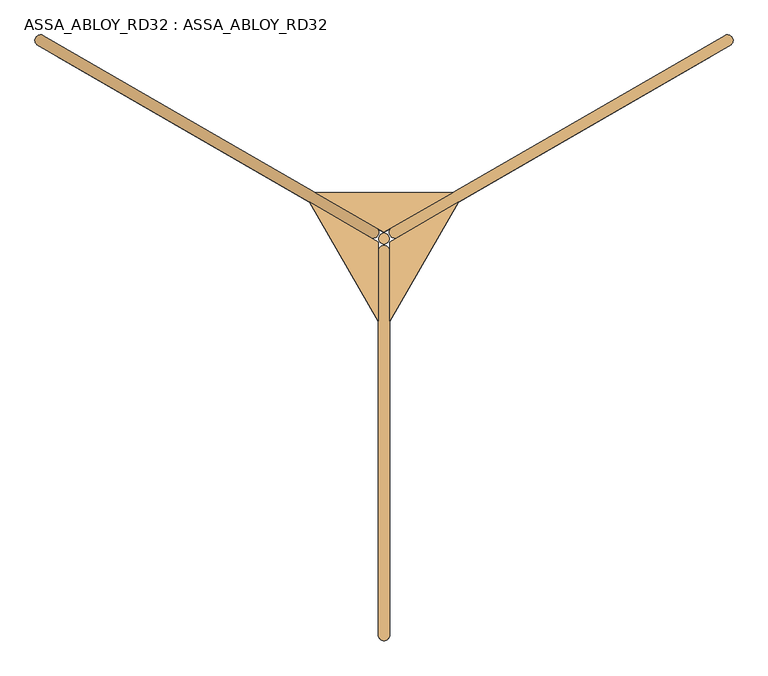
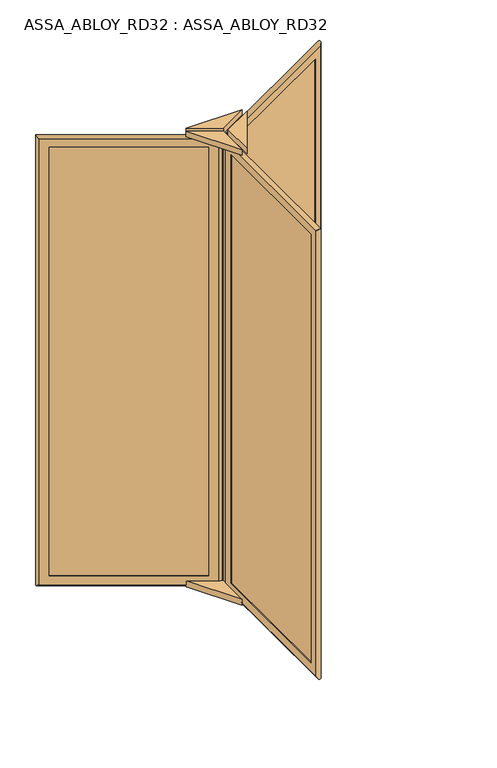
"""IFC4 building model written with IfcOpenShell, lengths in millimetres: door geometry, ASSA_ABLOY_RD32 : ASSA_ABLOY_RD32."""

from ifc_helpers import new_model, si_unit, point, frame, frame_2d, origin, origin_with_axes, place, context, project, spatial, polyline, circle_curve, ellipse_curve, trimmed, segment, composite_curve, outline, extrude, source, transform, mapped, element, save
from ifc_brep_helpers import plane_surface, cylinder_surface, advanced_brep


def assa_abloy_rd32_assa_abloy_rd32_1bab7fdc(model_context):
    return source(origin(), model_context, "Body", "SolidModel", [
        advanced_brep(
        [(881.0172302, 424.939746, 105.0), (882.5172302, 422.3416698, 105.0), (882.5172302, 422.3416698, 2679.0), (881.0172302, 424.939746, 2679.0), (888.3377382, 452.260254, 85.0), (898.3377382, 434.939746, 85.0), (898.3377382, 434.939746, 2699.0), (888.3377382, 452.260254, 2699.0), (869.5172302, 444.8583302, 105.0), (871.0172302, 442.260254, 105.0), (871.0172302, 442.260254, 2679.0), (869.5172302, 444.8583302, 2679.0), (927.5505512, 448.3416698, 53.0), (914.5505512, 470.8583302, 53.0), (914.5505512, 470.8583302, 2731.0), (927.5505512, 448.3416698, 2731.0), (201.6480577, 29.2416698, 2679.0), (200.1480577, 31.839746, 2679.0), (182.8275496, 21.839746, 2699.0), (172.8275496, 39.160254, 2699.0), (190.1480577, 49.160254, 2679.0), (188.6480577, 51.7583302, 2679.0), (143.6147367, 25.7583302, 2731.0), (156.6147367, 3.2416698, 2731.0), (201.6480577, 29.2416698, 105.0), (200.1480577, 31.839746, 105.0), (182.8275496, 21.839746, 85.0), (172.8275496, 39.160254, 85.0), (190.1480577, 49.160254, 105.0), (188.6480577, 51.7583302, 105.0), (143.6147367, 25.7583302, 53.0), (156.6147367, 3.2416698, 53.0)],
        [
            (0, 1),
            (1, 2),
            (2, 3),
            (3, 0),
            (4, 5),
            (5, 6),
            (6, 7),
            (7, 4),
            (8, 9),
            (9, 10),
            (10, 11),
            (11, 8),
            (12, 13, ellipse_curve(frame((921.0505512, 459.6, 53.0), z_axis=(0.6123724356958007, 0.35355339059326285, 0.7071067811865475), x_axis=(0.6123724356957908, 0.3535533905932797, -0.7071067811865477)), 18.3847763, 13.0)),
            (13, 14),
            (14, 15, ellipse_curve(frame((921.0505512, 459.6, 2731.0), z_axis=(0.612372435695791, 0.3535533905932798, -0.7071067811865475), x_axis=(-0.6123724356958007, -0.3535533905932628, -0.7071067811865476)), 18.3847763, 13.0)),
            (15, 12),
            (2, 16),
            (16, 17),
            (17, 3),
            (6, 18),
            (18, 19),
            (19, 7),
            (10, 20),
            (20, 21),
            (21, 11),
            (14, 22),
            (22, 23, ellipse_curve(frame((150.1147367, 14.5, 2731.0), z_axis=(0.6123724356958007, 0.35355339059326285, 0.7071067811865475), x_axis=(0.6123724356957913, 0.35355339059327995, -0.7071067811865472)), 18.3847763, 13.0)),
            (23, 15),
            (16, 24),
            (24, 25),
            (25, 17),
            (18, 26),
            (26, 27),
            (27, 19),
            (20, 28),
            (28, 29),
            (29, 21),
            (22, 30),
            (30, 31, ellipse_curve(frame((150.1147367, 14.5, 53.0), z_axis=(-0.612372435695791, -0.3535533905932798, 0.7071067811865475), x_axis=(0.6123724356958007, 0.3535533905932628, 0.7071067811865476)), 18.3847763, 13.0)),
            (31, 23),
            (24, 1),
            (0, 25),
            (5, 26),
            (4, 27),
            (9, 28),
            (8, 29),
            (13, 30),
            (12, 31),
        ],
        [
            plane_surface(frame((882.5172302, 422.3416698, 105.0), z_axis=(-0.8660254037844419, -0.49999999999999445, 0.0), x_axis=(0.0, 0.0, 1.0))),
            plane_surface(frame((898.3377382, 434.939746, 85.0), z_axis=(-0.8660254037844408, -0.4999999999999964, 0.0), x_axis=(0.0, 0.0, 1.0))),
            plane_surface(frame((871.0172302, 442.260254, 105.0), z_axis=(-0.8660254037844419, -0.49999999999999445, 0.0), x_axis=(0.0, 0.0, 1.0))),
            cylinder_surface(frame((921.0505512, 459.6, 40.0), z_axis=(0.0, 0.0, -1.0), x_axis=(-0.8660254037844406, -0.4999999999999966, 0.0)), 13.0),
            plane_surface(frame((882.5172302, 422.3416698, 2679.0), z_axis=(0.0, 0.0, -1.0), x_axis=(-0.8660254037844406, -0.4999999999999966, 0.0))),
            plane_surface(frame((898.3377382, 434.939746, 2699.0), z_axis=(0.0, 0.0, -1.0), x_axis=(-0.8660254037844406, -0.4999999999999966, 0.0))),
            plane_surface(frame((871.0172302, 442.260254, 2679.0), z_axis=(0.0, 0.0, -1.0), x_axis=(-0.8660254037844406, -0.4999999999999966, 0.0))),
            cylinder_surface(frame((932.3088814, 466.1, 2731.0), z_axis=(0.8660254037844406, 0.4999999999999966, 0.0), x_axis=(0.0, 0.0, -1.0)), 13.0),
            plane_surface(frame((201.6480577, 29.2416698, 2679.0), z_axis=(0.8660254037844394, 0.49999999999999883, 0.0), x_axis=(0.0, 0.0, -1.0))),
            plane_surface(frame((182.8275496, 21.839746, 2699.0), z_axis=(0.8660254037844405, 0.4999999999999969, 0.0), x_axis=(0.0, 0.0, -1.0))),
            plane_surface(frame((190.1480577, 49.160254, 2679.0), z_axis=(0.8660254037844394, 0.49999999999999883, 0.0), x_axis=(0.0, 0.0, -1.0))),
            cylinder_surface(frame((150.1147367, 14.5, 2744.0), z_axis=(0.0, 0.0, 1.0), x_axis=(0.8660254037844406, 0.4999999999999966, 0.0)), 13.0),
            plane_surface(frame((201.6480577, 29.2416698, 105.0), z_axis=(0.0, 0.0, 1.0), x_axis=(0.8660254037844406, 0.4999999999999966, 0.0))),
            plane_surface(frame((200.1480577, 31.839746, 105.0), z_axis=(-0.4999999999999966, 0.8660254037844406, 0.0), x_axis=(0.8660254037844406, 0.4999999999999966, 0.0))),
            plane_surface(frame((182.8275496, 21.839746, 85.0), z_axis=(0.0, 0.0, 1.0), x_axis=(0.8660254037844406, 0.4999999999999966, 0.0))),
            plane_surface(frame((172.8275496, 39.160254, 85.0), z_axis=(0.4999999999999966, -0.8660254037844406, 0.0), x_axis=(0.8660254037844406, 0.4999999999999966, 0.0))),
            plane_surface(frame((190.1480577, 49.160254, 105.0), z_axis=(0.0, 0.0, 1.0), x_axis=(0.8660254037844406, 0.4999999999999966, 0.0))),
            plane_surface(frame((188.6480577, 51.7583302, 105.0), z_axis=(-0.4999999999999966, 0.8660254037844406, 0.0), x_axis=(0.8660254037844406, 0.4999999999999966, 0.0))),
            cylinder_surface(frame((138.8564065, 8.0, 53.0), z_axis=(-0.8660254037844406, -0.4999999999999966, 0.0), x_axis=(0.0, 0.0, 1.0)), 13.0),
            plane_surface(frame((156.6147367, 3.2416698, 53.0), z_axis=(0.4999999999999966, -0.8660254037844406, 0.0), x_axis=(0.8660254037844406, 0.4999999999999966, 0.0))),
        ],
        [
            (0, [[1, 2, 3, 4]]),
            (1, [[5, 6, 7, 8]]),
            (2, [[9, 10, 11, 12]]),
            (3, [[13, 14, 15, 16]]),
            (4, [[-3, 17, 18, 19]]),
            (5, [[-7, 20, 21, 22]]),
            (6, [[-11, 23, 24, 25]]),
            (7, [[-15, 26, 27, 28]]),
            (8, [[-18, 29, 30, 31]]),
            (9, [[-21, 32, 33, 34]]),
            (10, [[-24, 35, 36, 37]]),
            (11, [[-27, 38, 39, 40]]),
            (12, [[-30, 41, -1, 42]]),
            (13, [[43, -32, -20, -6], [-19, -31, -42, -4]]),
            (14, [[-33, -43, -5, 44]]),
            (15, [[-22, -34, -44, -8], [45, -35, -23, -10]]),
            (16, [[-36, -45, -9, 46]]),
            (17, [[47, -38, -26, -14], [-25, -37, -46, -12]]),
            (18, [[-39, -47, -13, 48]]),
            (19, [[-28, -40, -48, -16], [-41, -29, -17, -2]]),
        ],
    ),
        extrude(outline(polyline([(890.8377382, 447.930127), (895.8377382, 439.269873), (180.3275496, 26.169873), (175.3275496, 34.830127), (890.8377382, 447.930127)])), frame((0.0, 0.0, 85.0), z_axis=(0.0, 0.0, 1.0), x_axis=(1.0, 0.0, 0.0)), (0.0, 0.0, 1.0), 2614.0),
        advanced_brep(
        [(-621.0172302, 442.260254, 105.0), (-619.5172302, 444.8583302, 105.0), (-619.5172302, 444.8583302, 2679.0), (-621.0172302, 442.260254, 2679.0), (-648.3377382, 434.939746, 85.0), (-638.3377382, 452.260254, 85.0), (-638.3377382, 452.260254, 2699.0), (-648.3377382, 434.939746, 2699.0), (-632.5172302, 422.3416698, 105.0), (-631.0172302, 424.939746, 105.0), (-631.0172302, 424.939746, 2679.0), (-632.5172302, 422.3416698, 2679.0), (-664.5505512, 470.8583302, 53.0), (-677.5505512, 448.3416698, 53.0), (-677.5505512, 448.3416698, 2731.0), (-664.5505512, 470.8583302, 2731.0), (61.3519423, 51.7583302, 2679.0), (59.8519423, 49.160254, 2679.0), (77.1724504, 39.160254, 2699.0), (67.1724504, 21.839746, 2699.0), (49.8519423, 31.839746, 2679.0), (48.3519423, 29.2416698, 2679.0), (93.3852633, 3.2416698, 2731.0), (106.3852633, 25.7583302, 2731.0), (61.3519423, 51.7583302, 105.0), (59.8519423, 49.160254, 105.0), (77.1724504, 39.160254, 85.0), (67.1724504, 21.839746, 85.0), (49.8519423, 31.839746, 105.0), (48.3519423, 29.2416698, 105.0), (93.3852633, 3.2416698, 53.0), (106.3852633, 25.7583302, 53.0)],
        [
            (0, 1),
            (1, 2),
            (2, 3),
            (3, 0),
            (4, 5),
            (5, 6),
            (6, 7),
            (7, 4),
            (8, 9),
            (9, 10),
            (10, 11),
            (11, 8),
            (12, 13, ellipse_curve(frame((-671.0505512, 459.6, 53.0), z_axis=(-0.612372435695792, 0.35355339059327806, 0.7071067811865475), x_axis=(-0.6123724356958017, 0.3535533905932611, -0.7071067811865476)), 18.3847763, 13.0)),
            (13, 14),
            (14, 15, ellipse_curve(frame((-671.0505512, 459.6, 2731.0), z_axis=(-0.6123724356958017, 0.35355339059326113, -0.7071067811865475), x_axis=(0.6123724356957919, -0.353553390593278, -0.7071067811865477)), 18.3847763, 13.0)),
            (15, 12),
            (2, 16),
            (16, 17),
            (17, 3),
            (6, 18),
            (18, 19),
            (19, 7),
            (10, 20),
            (20, 21),
            (21, 11),
            (14, 22),
            (22, 23, ellipse_curve(frame((99.8852633, 14.5, 2731.0), z_axis=(-0.612372435695792, 0.35355339059327806, 0.7071067811865475), x_axis=(-0.6123724356958017, 0.3535533905932612, -0.7071067811865475)), 18.3847763, 13.0)),
            (23, 15),
            (16, 24),
            (24, 25),
            (25, 17),
            (18, 26),
            (26, 27),
            (27, 19),
            (20, 28),
            (28, 29),
            (29, 21),
            (22, 30),
            (30, 31, ellipse_curve(frame((99.8852633, 14.5, 53.0), z_axis=(0.6123724356958017, -0.35355339059326113, 0.7071067811865475), x_axis=(-0.6123724356957919, 0.353553390593278, 0.7071067811865477)), 18.3847763, 13.0)),
            (31, 23),
            (24, 1),
            (0, 25),
            (5, 26),
            (4, 27),
            (9, 28),
            (8, 29),
            (13, 30),
            (12, 31),
        ],
        [
            plane_surface(frame((-619.5172302, 444.8583302, 105.0), z_axis=(0.8660254037844408, -0.4999999999999964, 0.0), x_axis=(0.0, 0.0, 1.0))),
            plane_surface(frame((-638.3377382, 452.260254, 85.0), z_axis=(0.8660254037844419, -0.49999999999999445, 0.0), x_axis=(0.0, 0.0, 1.0))),
            plane_surface(frame((-631.0172302, 424.939746, 105.0), z_axis=(0.8660254037844408, -0.4999999999999964, 0.0), x_axis=(0.0, 0.0, 1.0))),
            cylinder_surface(frame((-671.0505512, 459.6, 40.0), z_axis=(0.0, 0.0, -1.0), x_axis=(0.8660254037844415, -0.49999999999999384, 0.0)), 13.0),
            plane_surface(frame((-619.5172302, 444.8583302, 2679.0), z_axis=(0.0, 0.0, -1.0), x_axis=(0.866025403784442, -0.49999999999999417, 0.0))),
            plane_surface(frame((-638.3377382, 452.260254, 2699.0), z_axis=(0.0, 0.0, -1.0), x_axis=(0.866025403784442, -0.49999999999999417, 0.0))),
            plane_surface(frame((-631.0172302, 424.939746, 2679.0), z_axis=(0.0, 0.0, -1.0), x_axis=(0.866025403784442, -0.49999999999999417, 0.0))),
            cylinder_surface(frame((-682.3088814, 466.1, 2731.0), z_axis=(-0.8660254037844415, 0.49999999999999384, 0.0), x_axis=(0.0, 0.0, -1.0)), 13.0),
            plane_surface(frame((61.3519423, 51.7583302, 2679.0), z_axis=(-0.8660254037844433, 0.49999999999999195, 0.0), x_axis=(0.0, 0.0, -1.0))),
            plane_surface(frame((77.1724504, 39.160254, 2699.0), z_axis=(-0.8660254037844421, 0.4999999999999939, 0.0), x_axis=(0.0, 0.0, -1.0))),
            plane_surface(frame((49.8519423, 31.839746, 2679.0), z_axis=(-0.8660254037844433, 0.49999999999999195, 0.0), x_axis=(0.0, 0.0, -1.0))),
            cylinder_surface(frame((99.8852633, 14.5, 2744.0), z_axis=(0.0, 0.0, 1.0), x_axis=(-0.8660254037844415, 0.49999999999999384, 0.0)), 13.0),
            plane_surface(frame((61.3519423, 51.7583302, 105.0), z_axis=(0.0, 0.0, 1.0), x_axis=(-0.866025403784442, 0.49999999999999417, 0.0))),
            plane_surface(frame((59.8519423, 49.160254, 105.0), z_axis=(-0.49999999999999417, -0.866025403784442, 0.0), x_axis=(-0.866025403784442, 0.49999999999999417, 0.0))),
            plane_surface(frame((77.1724504, 39.160254, 85.0), z_axis=(0.0, 0.0, 1.0), x_axis=(-0.866025403784442, 0.49999999999999417, 0.0))),
            plane_surface(frame((67.1724504, 21.839746, 85.0), z_axis=(0.49999999999999417, 0.866025403784442, 0.0), x_axis=(-0.866025403784442, 0.49999999999999417, 0.0))),
            plane_surface(frame((49.8519423, 31.839746, 105.0), z_axis=(0.0, 0.0, 1.0), x_axis=(-0.866025403784442, 0.49999999999999417, 0.0))),
            plane_surface(frame((48.3519423, 29.2416698, 105.0), z_axis=(-0.49999999999999417, -0.866025403784442, 0.0), x_axis=(-0.866025403784442, 0.49999999999999417, 0.0))),
            cylinder_surface(frame((111.1435935, 8.0, 53.0), z_axis=(0.8660254037844415, -0.49999999999999384, 0.0), x_axis=(0.0, 0.0, 1.0)), 13.0),
            plane_surface(frame((106.3852633, 25.7583302, 53.0), z_axis=(0.49999999999999417, 0.866025403784442, 0.0), x_axis=(-0.866025403784442, 0.49999999999999417, 0.0))),
        ],
        [
            (0, [[1, 2, 3, 4]]),
            (1, [[5, 6, 7, 8]]),
            (2, [[9, 10, 11, 12]]),
            (3, [[13, 14, 15, 16]]),
            (4, [[-3, 17, 18, 19]]),
            (5, [[-7, 20, 21, 22]]),
            (6, [[-11, 23, 24, 25]]),
            (7, [[-15, 26, 27, 28]]),
            (8, [[-18, 29, 30, 31]]),
            (9, [[-21, 32, 33, 34]]),
            (10, [[-24, 35, 36, 37]]),
            (11, [[-27, 38, 39, 40]]),
            (12, [[-30, 41, -1, 42]]),
            (13, [[43, -32, -20, -6], [-19, -31, -42, -4]]),
            (14, [[-33, -43, -5, 44]]),
            (15, [[-22, -34, -44, -8], [45, -35, -23, -10]]),
            (16, [[-36, -45, -9, 46]]),
            (17, [[47, -38, -26, -14], [-25, -37, -46, -12]]),
            (18, [[-39, -47, -13, 48]]),
            (19, [[-28, -40, -48, -16], [-41, -29, -17, -2]]),
        ],
    ),
        extrude(outline(polyline([(-645.8377382, 439.269873), (-640.8377382, 447.930127), (74.6724504, 34.830127), (69.6724504, 26.169873), (-645.8377382, 439.269873)])), frame((0.0, 0.0, 85.0), z_axis=(0.0, 0.0, 1.0), x_axis=(1.0, 0.0, 0.0)), (0.0, 0.0, 1.0), 2614.0),
        advanced_brep(
        [(115.0, -867.2, 105.0), (112.0, -867.2, 105.0), (112.0, -867.2, 2679.0), (115.0, -867.2, 2679.0), (135.0, -887.2, 85.0), (115.0, -887.2, 85.0), (115.0, -887.2, 2699.0), (135.0, -887.2, 2699.0), (138.0, -867.2, 105.0), (135.0, -867.2, 105.0), (135.0, -867.2, 2679.0), (138.0, -867.2, 2679.0), (112.0, -919.2, 53.0), (138.0, -919.2, 53.0), (138.0, -919.2, 2731.0), (112.0, -919.2, 2731.0), (112.0, -81.0, 2679.0), (115.0, -81.0, 2679.0), (115.0, -61.0, 2699.0), (135.0, -61.0, 2699.0), (135.0, -81.0, 2679.0), (138.0, -81.0, 2679.0), (138.0, -29.0, 2731.0), (112.0, -29.0, 2731.0), (112.0, -81.0, 105.0), (115.0, -81.0, 105.0), (115.0, -61.0, 85.0), (135.0, -61.0, 85.0), (135.0, -81.0, 105.0), (138.0, -81.0, 105.0), (138.0, -29.0, 53.0), (112.0, -29.0, 53.0)],
        [
            (0, 1),
            (1, 2),
            (2, 3),
            (3, 0),
            (4, 5),
            (5, 6),
            (6, 7),
            (7, 4),
            (8, 9),
            (9, 10),
            (10, 11),
            (11, 8),
            (12, 13, ellipse_curve(frame((125.0, -919.2, 53.0), z_axis=(0.0, -0.7071067811865475, 0.7071067811865475), x_axis=(0.0, -0.7071067811865474, -0.7071067811865476)), 18.3847763, 13.0)),
            (13, 14),
            (14, 15, ellipse_curve(frame((125.0, -919.2, 2731.0), z_axis=(0.0, -0.7071067811865475, -0.7071067811865475), x_axis=(0.0, 0.7071067811865474, -0.7071067811865476)), 18.3847763, 13.0)),
            (15, 12),
            (2, 16),
            (16, 17),
            (17, 3),
            (6, 18),
            (18, 19),
            (19, 7),
            (10, 20),
            (20, 21),
            (21, 11),
            (14, 22),
            (22, 23, ellipse_curve(frame((125.0, -29.0, 2731.0), z_axis=(0.0, -0.7071067811865475, 0.7071067811865475), x_axis=(0.0, -0.7071067811865476, -0.7071067811865474)), 18.3847763, 13.0)),
            (23, 15),
            (16, 24),
            (24, 25),
            (25, 17),
            (18, 26),
            (26, 27),
            (27, 19),
            (20, 28),
            (28, 29),
            (29, 21),
            (22, 30),
            (30, 31, ellipse_curve(frame((125.0, -29.0, 53.0), z_axis=(0.0, 0.7071067811865475, 0.7071067811865475), x_axis=(0.0, -0.7071067811865474, 0.7071067811865476)), 18.3847763, 13.0)),
            (31, 23),
            (24, 1),
            (0, 25),
            (5, 26),
            (4, 27),
            (9, 28),
            (8, 29),
            (13, 30),
            (12, 31),
        ],
        [
            plane_surface(frame((112.0, -867.2, 105.0), z_axis=(0.0, 1.0, 0.0), x_axis=(0.0, 0.0, 1.0))),
            plane_surface(frame((115.0, -887.2, 85.0), z_axis=(0.0, 1.0, 0.0), x_axis=(0.0, 0.0, 1.0))),
            plane_surface(frame((135.0, -867.2, 105.0), z_axis=(0.0, 1.0, 0.0), x_axis=(0.0, 0.0, 1.0))),
            cylinder_surface(frame((125.0, -919.2, 40.0), z_axis=(0.0, 0.0, -1.0), x_axis=(0.0, 1.0000000000000009, 0.0)), 13.0),
            plane_surface(frame((112.0, -867.2, 2679.0), z_axis=(0.0, 0.0, -1.0), x_axis=(0.0, 1.0, 0.0))),
            plane_surface(frame((115.0, -887.2, 2699.0), z_axis=(0.0, 0.0, -1.0), x_axis=(0.0, 1.0, 0.0))),
            plane_surface(frame((135.0, -867.2, 2679.0), z_axis=(0.0, 0.0, -1.0), x_axis=(0.0, 1.0, 0.0))),
            cylinder_surface(frame((125.0, -932.2, 2731.0), z_axis=(0.0, -1.0000000000000009, 0.0), x_axis=(0.0, 0.0, -1.0)), 13.0),
            plane_surface(frame((112.0, -81.0, 2679.0), z_axis=(0.0, -1.0, 0.0), x_axis=(0.0, 0.0, -1.0))),
            plane_surface(frame((115.0, -61.0, 2699.0), z_axis=(0.0, -1.0, 0.0), x_axis=(0.0, 0.0, -1.0))),
            plane_surface(frame((135.0, -81.0, 2679.0), z_axis=(0.0, -1.0, 0.0), x_axis=(0.0, 0.0, -1.0))),
            cylinder_surface(frame((125.0, -29.0, 2744.0), z_axis=(0.0, 0.0, 1.0), x_axis=(0.0, -1.0000000000000009, 0.0)), 13.0),
            plane_surface(frame((112.0, -81.0, 105.0), z_axis=(0.0, 0.0, 1.0), x_axis=(0.0, -1.0, 0.0))),
            plane_surface(frame((115.0, -81.0, 105.0), z_axis=(1.0, 0.0, 0.0), x_axis=(0.0, -1.0, 0.0))),
            plane_surface(frame((115.0, -61.0, 85.0), z_axis=(0.0, 0.0, 1.0), x_axis=(0.0, -1.0, 0.0))),
            plane_surface(frame((135.0, -61.0, 85.0), z_axis=(-1.0, 0.0, 0.0), x_axis=(0.0, -1.0, 0.0))),
            plane_surface(frame((135.0, -81.0, 105.0), z_axis=(0.0, 0.0, 1.0), x_axis=(0.0, -1.0, 0.0))),
            plane_surface(frame((138.0, -81.0, 105.0), z_axis=(1.0, 0.0, 0.0), x_axis=(0.0, -1.0, 0.0))),
            cylinder_surface(frame((125.0, -16.0, 53.0), z_axis=(0.0, 1.0000000000000009, 0.0), x_axis=(0.0, 0.0, 1.0)), 13.0),
            plane_surface(frame((112.0, -29.0, 53.0), z_axis=(-1.0, 0.0, 0.0), x_axis=(0.0, -1.0, 0.0))),
        ],
        [
            (0, [[1, 2, 3, 4]]),
            (1, [[5, 6, 7, 8]]),
            (2, [[9, 10, 11, 12]]),
            (3, [[13, 14, 15, 16]]),
            (4, [[-3, 17, 18, 19]]),
            (5, [[-7, 20, 21, 22]]),
            (6, [[-11, 23, 24, 25]]),
            (7, [[-15, 26, 27, 28]]),
            (8, [[-18, 29, 30, 31]]),
            (9, [[-21, 32, 33, 34]]),
            (10, [[-24, 35, 36, 37]]),
            (11, [[-27, 38, 39, 40]]),
            (12, [[-30, 41, -1, 42]]),
            (13, [[43, -32, -20, -6], [-19, -31, -42, -4]]),
            (14, [[-33, -43, -5, 44]]),
            (15, [[-22, -34, -44, -8], [45, -35, -23, -10]]),
            (16, [[-36, -45, -9, 46]]),
            (17, [[47, -38, -26, -14], [-25, -37, -46, -12]]),
            (18, [[-39, -47, -13, 48]]),
            (19, [[-28, -40, -48, -16], [-41, -29, -17, -2]]),
        ],
    ),
        extrude(outline(polyline([(130.0, -887.2), (120.0, -887.2), (120.0, -61.0), (130.0, -61.0), (130.0, -887.2)])), frame((0.0, 0.0, 85.0), z_axis=(0.0, 0.0, 1.0), x_axis=(1.0, 0.0, 0.0)), (0.0, 0.0, 1.0), 2614.0),
        extrude(outline(polyline([(112.0, -191.5593903), (-47.3952983, 84.5213649), (112.0, -7.5055535), (112.0, -191.5593903)])), frame((0.0, 0.0, 2744.0), z_axis=(0.0, 0.0, 1.0), x_axis=(1.0, 0.0, 0.0)), (0.0, 0.0, 1.0), 31.5),
        extrude(outline(polyline([(-34.3952983, 107.0380254), (284.3952983, 107.0380254), (125.0, 15.011107), (-34.3952983, 107.0380254)])), frame((0.0, 0.0, 2744.0), z_axis=(0.0, 0.0, 1.0), x_axis=(1.0, 0.0, 0.0)), (0.0, 0.0, 1.0), 31.5),
        extrude(outline(polyline([(297.3952983, 84.5213649), (138.0, -191.5593903), (138.0, -7.5055535), (297.3952983, 84.5213649)])), frame((0.0, 0.0, 2744.0), z_axis=(0.0, 0.0, 1.0), x_axis=(1.0, 0.0, 0.0)), (0.0, 0.0, 1.0), 31.5),
        extrude(outline(polyline([(297.3952983, 84.5213649), (138.0, -191.5593903), (138.0, -7.5055535), (297.3952983, 84.5213649)])), frame((0.0, 0.0, 40.0), z_axis=(0.0, 0.0, 1.0), x_axis=(1.0, 0.0, 0.0)), (0.0, 0.0, 1.0), 34.93),
        extrude(outline(polyline([(112.0, -191.5593903), (-47.3952983, 84.5213649), (112.0, -7.5055535), (112.0, -191.5593903)])), frame((0.0, 0.0, 40.0), z_axis=(0.0, 0.0, 1.0), x_axis=(1.0, 0.0, 0.0)), (0.0, 0.0, 1.0), 34.93),
        extrude(outline(polyline([(-34.3952983, 107.0380254), (284.3952983, 107.0380254), (125.0, 15.011107), (-34.3952983, 107.0380254)])), frame((0.0, 0.0, 40.0), z_axis=(0.0, 0.0, 1.0), x_axis=(1.0, 0.0, 0.0)), (0.0, 0.0, 1.0), 34.93),
        extrude(outline(composite_curve([segment(trimmed(circle_curve(frame_2d((125.0, 0.0)), 12.5), [point((137.5, 0.0))], [point((112.5, 0.0))], False, "CARTESIAN"), True, "CONTINUOUS"), segment(trimmed(circle_curve(frame_2d((125.0, 0.0)), 12.5), [point((112.5, 0.0))], [point((137.5, 0.0))], False, "CARTESIAN"), True, "CONTINUOUS")], self_intersect=False)), origin_with_axes(), (0.0, 0.0, 1.0), 2728.0),
    ])


if __name__ == "__main__":
    model = new_model("IFC4")
    model_context = context("Model", 3, world=origin())
    ifc_project = project(units=[si_unit("LENGTHUNIT", "METRE", prefix="MILLI")], contexts=[model_context])
    site = spatial("IfcSite", under=ifc_project)
    building = spatial("IfcBuilding", under=site)
    placement = place(None, origin())
    assa_abloy_rd32_assa_abloy_rd32_shape = assa_abloy_rd32_assa_abloy_rd32_1bab7fdc(model_context)
    element("IfcDoor", 1, ObjectType="ASSA_ABLOY_RD32 : ASSA_ABLOY_RD32", at=placement, inside=building, context=model_context, shape_type="MappedRepresentation", body=[
        mapped(assa_abloy_rd32_assa_abloy_rd32_shape, transform((0.0, 0.0, 0.0), x_axis=(1.0, 0.0, 0.0), y_axis=(0.0, 1.0, 0.0), z_axis=(0.0, 0.0, 1.0))),
    ])
    save(model, "model.ifc")
